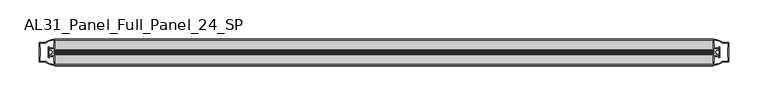
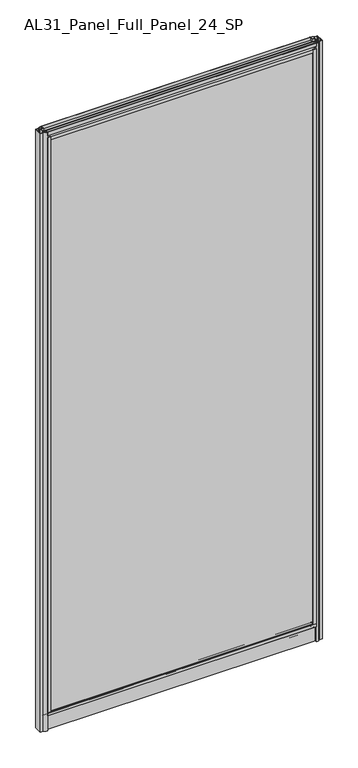
"""IFC4 building model written with IfcOpenShell, lengths in millimetres: plate geometry, AL31_Panel_Full_Panel_24_SP."""

from ifc_helpers import new_model, si_unit, point, frame, frame_2d, origin, origin_with_axes, place, context, project, spatial, polyline, circle_curve, trimmed, segment, composite_curve, outline, extrude, source, transform, mapped, element, save


def al31_panel_full_panel_24_sp_a1b96c47(model_context):
    return source(origin(), model_context, "Body", "SweptSolid", [
        extrude(outline(composite_curve([segment(polyline([(-0.8778244, 46.2206013), (-1.4322398, 45.1563534)]), True, "CONTINUOUS"), segment(trimmed(circle_curve(frame_2d((0.0, 47.9056604)), 3.1), [point((-1.4322398, 45.1563534))], [point((-3.05, 47.3511336))], False, "CARTESIAN"), True, "CONTINUOUS"), segment(polyline([(-3.05, 47.3511336), (-3.05, 41.9), (-5.0, 41.9), (-5.0, 49.4), (-17.0, 49.4), (-17.0, 59.2), (-14.8, 59.2), (-14.8, 51.3), (14.8, 51.3), (14.8, 59.2), (17.0, 59.2), (17.0, 49.4), (5.0, 49.4), (5.0, 41.9), (3.05, 41.9), (3.05, 47.3511336)]), True, "CONTINUOUS"), segment(trimmed(circle_curve(frame_2d((0.0, 47.9056604)), 3.1), [point((3.05, 47.3511336))], [point((1.4322398, 45.1563534))], False, "CARTESIAN"), True, "CONTINUOUS"), segment(polyline([(1.4322398, 45.1563534), (0.8778244, 46.2206013)]), True, "CONTINUOUS"), segment(trimmed(circle_curve(frame_2d((0.0, 47.9056604)), 1.9), [point((0.8778244, 46.2206013))], [point((0.0, 49.8056604))], True, "CARTESIAN"), True, "CONTINUOUS"), segment(trimmed(circle_curve(frame_2d((0.0, 47.9056604)), 1.9), [point((0.0, 49.8056604))], [point((-0.8778244, 46.2206013))], True, "CARTESIAN"), True, "CONTINUOUS")], self_intersect=False)), frame((-420.1801316, 0.0, 0.0), z_axis=(1.0, 0.0, 0.0), x_axis=(0.0, 1.0, 0.0)), (0.0, 0.0, 1.0), 840.3602632),
        extrude(outline(composite_curve([segment(trimmed(circle_curve(frame_2d((-421.6744712, 0.0)), 1.9), [point((-423.3595303, -0.8778244))], [point((-419.7744712, 0.0))], True, "CARTESIAN"), True, "CONTINUOUS"), segment(trimmed(circle_curve(frame_2d((-421.6744712, 0.0)), 1.9), [point((-419.7744712, 0.0))], [point((-423.3595303, 0.8778244))], True, "CARTESIAN"), True, "CONTINUOUS"), segment(polyline([(-423.3595303, 0.8778244), (-424.4237782, 1.4322398)]), True, "CONTINUOUS"), segment(trimmed(circle_curve(frame_2d((-421.6744712, 0.0)), 3.1), [point((-424.4237782, 1.4322398))], [point((-422.228998, 3.05))], False, "CARTESIAN"), True, "CONTINUOUS"), segment(polyline([(-422.228998, 3.05), (-427.6801316, 3.05), (-427.6801316, 5.0), (-420.1801316, 5.0), (-420.1801316, 17.0), (-410.3801316, 17.0), (-410.3801316, 14.8), (-418.2801316, 14.8), (-418.2801316, -14.8), (-410.3801316, -14.8), (-410.3801316, -17.0), (-420.1801316, -17.0), (-420.1801316, -5.0), (-427.6801316, -5.0), (-427.6801316, -3.05), (-422.228998, -3.05)]), True, "CONTINUOUS"), segment(trimmed(circle_curve(frame_2d((-421.6744712, 0.0)), 3.1), [point((-422.228998, -3.05))], [point((-424.4237782, -1.4322398))], False, "CARTESIAN"), True, "CONTINUOUS"), segment(polyline([(-424.4237782, -1.4322398), (-423.3595303, -0.8778244)]), True, "CONTINUOUS")], self_intersect=False)), frame((0.0, 0.0, 49.4), z_axis=(0.0, 0.0, 1.0), x_axis=(1.0, 0.0, 0.0)), (0.0, 0.0, 1.0), 1906.6),
        extrude(outline(composite_curve([segment(polyline([(423.3595303, -0.8778244), (424.4237782, -1.4322398)]), True, "CONTINUOUS"), segment(trimmed(circle_curve(frame_2d((421.6744712, 0.0)), 3.1), [point((424.4237782, -1.4322398))], [point((422.228998, -3.05))], False, "CARTESIAN"), True, "CONTINUOUS"), segment(polyline([(422.228998, -3.05), (427.6801316, -3.05), (427.6801316, -5.0), (420.1801316, -5.0), (420.1801316, -17.0), (410.3801316, -17.0), (410.3801316, -14.8), (418.2801316, -14.8), (418.2801316, 14.8), (410.3801316, 14.8), (410.3801316, 17.0), (420.1801316, 17.0), (420.1801316, 5.0), (427.6801316, 5.0), (427.6801316, 3.05), (422.228998, 3.05)]), True, "CONTINUOUS"), segment(trimmed(circle_curve(frame_2d((421.6744712, 0.0)), 3.1), [point((422.228998, 3.05))], [point((424.4237782, 1.4322398))], False, "CARTESIAN"), True, "CONTINUOUS"), segment(polyline([(424.4237782, 1.4322398), (423.3595303, 0.8778244)]), True, "CONTINUOUS"), segment(trimmed(circle_curve(frame_2d((421.6744712, 0.0)), 1.9), [point((423.3595303, 0.8778244))], [point((419.7744712, 0.0))], True, "CARTESIAN"), True, "CONTINUOUS"), segment(trimmed(circle_curve(frame_2d((421.6744712, 0.0)), 1.9), [point((419.7744712, 0.0))], [point((423.3595303, -0.8778244))], True, "CARTESIAN"), True, "CONTINUOUS")], self_intersect=False)), frame((0.0, 0.0, 49.4), z_axis=(0.0, 0.0, 1.0), x_axis=(1.0, 0.0, 0.0)), (0.0, 0.0, 1.0), 1906.6),
        extrude(outline(composite_curve([segment(polyline([(0.8778244, 1959.1793987), (1.4322398, 1960.2436466)]), True, "CONTINUOUS"), segment(trimmed(circle_curve(frame_2d((0.0, 1957.4943396)), 3.1), [point((1.4322398, 1960.2436466))], [point((3.05, 1958.0488664))], False, "CARTESIAN"), True, "CONTINUOUS"), segment(polyline([(3.05, 1958.0488664), (3.05, 1963.5), (5.0, 1963.5), (5.0, 1956.0), (17.0, 1956.0), (17.0, 1946.2), (14.8, 1946.2), (14.8, 1954.1), (-14.8, 1954.1), (-14.8, 1946.2), (-17.0, 1946.2), (-17.0, 1956.0), (-5.0, 1956.0), (-5.0, 1963.5), (-3.05, 1963.5), (-3.05, 1958.0488664)]), True, "CONTINUOUS"), segment(trimmed(circle_curve(frame_2d((0.0, 1957.4943396)), 3.1), [point((-3.05, 1958.0488664))], [point((-1.4322398, 1960.2436466))], False, "CARTESIAN"), True, "CONTINUOUS"), segment(polyline([(-1.4322398, 1960.2436466), (-0.8778244, 1959.1793987)]), True, "CONTINUOUS"), segment(trimmed(circle_curve(frame_2d((0.0, 1957.4943396)), 1.9), [point((-0.8778244, 1959.1793987))], [point((0.0, 1955.5943396))], True, "CARTESIAN"), True, "CONTINUOUS"), segment(trimmed(circle_curve(frame_2d((0.0, 1957.4943396)), 1.9), [point((0.0, 1955.5943396))], [point((0.8778244, 1959.1793987))], True, "CARTESIAN"), True, "CONTINUOUS")], self_intersect=False)), frame((-420.1801316, 0.0, 0.0), z_axis=(1.0, 0.0, 0.0), x_axis=(0.0, 1.0, 0.0)), (0.0, 0.0, 1.0), 840.3602632),
        extrude(outline(composite_curve([segment(polyline([(-1.4, 1968.8980762), (-0.85, 1967.9454483)]), True, "CONTINUOUS"), segment(trimmed(circle_curve(frame_2d((0.1, 1966.3)), 1.9), [point((-0.85, 1967.9454483))], [point((1.05, 1967.9454483))], True, "CARTESIAN"), True, "CONTINUOUS"), segment(polyline([(1.05, 1967.9454483), (1.6, 1968.8980762)]), True, "CONTINUOUS"), segment(trimmed(circle_curve(frame_2d((0.1, 1966.3)), 3.0), [point((1.6, 1968.8980762))], [point((2.5718414, 1964.6))], False, "CARTESIAN"), True, "CONTINUOUS"), segment(polyline([(2.5718414, 1964.6), (15.7, 1964.6), (15.7, 1974.0), (17.0, 1974.0), (17.0, 1963.5), (6.7024688, 1963.5), (6.7024688, 1962.7), (6.1968782, 1960.7785039), (6.1968782, 1956.1), (5.0, 1956.1), (5.0, 1961.4339746), (5.5, 1962.3), (5.5, 1963.5), (-5.5, 1963.5), (-5.5, 1962.3), (-5.0, 1961.4339746), (-5.0, 1956.1), (-6.1968782, 1956.1), (-6.1968782, 1960.7785039), (-6.7024688, 1962.7), (-6.7024688, 1963.5), (-17.0, 1963.5), (-17.0, 1974.0), (-15.7, 1974.0), (-15.7, 1964.6), (-2.3718414, 1964.6)]), True, "CONTINUOUS"), segment(trimmed(circle_curve(frame_2d((0.1, 1966.3)), 3.0), [point((-2.3718414, 1964.6))], [point((-1.4, 1968.8980762))], False, "CARTESIAN"), True, "CONTINUOUS")], self_intersect=False)), frame((-420.1801316, 0.0, 0.0), z_axis=(1.0, 0.0, 0.0), x_axis=(0.0, 1.0, 0.0)), (0.0, 0.0, 1.0), 840.3602632),
        extrude(outline(composite_curve([segment(polyline([(-428.021553, -5.9), (-426.821553, -5.9), (-426.821553, -5.0), (-420.1801316, -5.0), (-420.1801316, -17.0001453)]), True, "CONTINUOUS"), segment(trimmed(circle_curve(frame_2d((-419.81548, 2.9965302)), 20.0), [point((-420.1801316, -17.0001453))], [point((-431.5359668, -13.2093388))], False, "CARTESIAN"), True, "CONTINUOUS"), segment(polyline([(-431.5359668, -13.2093388), (-431.5359668, -12.3279343), (-440.1801316, -12.3279343), (-440.1801316, 12.3720657), (-431.5359668, 12.3720657), (-431.5359668, 13.2095249)]), True, "CONTINUOUS"), segment(trimmed(circle_curve(frame_2d((-419.81548, -2.9963441)), 20.0), [point((-431.5359668, 13.2095249))], [point((-420.1801316, 17.0003314))], False, "CARTESIAN"), True, "CONTINUOUS"), segment(polyline([(-420.1801316, 17.0003314), (-420.1801316, 5.0), (-426.821553, 5.0), (-426.821553, 5.9), (-428.021553, 5.9), (-428.021553, -5.9)]), True, "CONTINUOUS")], self_intersect=False), holes=[composite_curve([segment(trimmed(circle_curve(frame_2d((-427.021553, 5.7)), 1.5), [point((-427.021553, 7.2))], [point((-425.6662987, 6.3428731))], False, "CARTESIAN"), True, "CONTINUOUS"), segment(polyline([(-425.6662987, 6.3428731), (-421.921553, 6.3428731), (-421.921553, 10.939223), (-421.4822131, 11.9998832), (-421.4822131, 15.6499817)]), True, "CONTINUOUS"), segment(trimmed(circle_curve(frame_2d((-419.81548, -2.9755921)), 18.7), [point((-421.4822131, 15.6499817))], [point((-429.8222578, 12.8216987))], True, "CARTESIAN"), True, "CONTINUOUS"), segment(trimmed(circle_curve(frame_2d((-431.621553, 12.8720657)), 1.8), [point((-429.8222578, 12.8216987))], [point((-431.621553, 11.0720657))], False, "CARTESIAN"), True, "CONTINUOUS"), segment(polyline([(-431.621553, 11.0720657), (-438.7629743, 11.0720657), (-438.7629743, 6.5019606), (-438.321553, 5.439223), (-438.321553, -5.3950916), (-438.821553, -6.3879987), (-438.821553, -11.0279343), (-431.621553, -11.0279343)]), True, "CONTINUOUS"), segment(trimmed(circle_curve(frame_2d((-431.621553, -12.8279343)), 1.8), [point((-431.621553, -11.0279343))], [point((-429.8222578, -12.7775673))], False, "CARTESIAN"), True, "CONTINUOUS"), segment(trimmed(circle_curve(frame_2d((-419.81548, 3.0197235)), 18.7), [point((-429.8222578, -12.7775673))], [point((-421.4822131, -15.6058503))], True, "CARTESIAN"), True, "CONTINUOUS"), segment(polyline([(-421.4822131, -15.6058503), (-421.4822131, -11.9557518), (-421.921553, -10.8950916), (-421.921553, -6.2991308), (-425.6464012, -6.2991308)]), True, "CONTINUOUS"), segment(trimmed(circle_curve(frame_2d((-427.021553, -5.7)), 1.5), [point((-425.6464012, -6.2991308))], [point((-427.021553, -7.2))], False, "CARTESIAN"), True, "CONTINUOUS"), segment(polyline([(-427.021553, -7.2), (-429.321553, -7.2), (-429.321553, 7.2), (-427.021553, 7.2)]), True, "CONTINUOUS")], self_intersect=False)]), origin_with_axes(), (0.0, 0.0, 1.0), 1974.0),
        extrude(outline(composite_curve([segment(polyline([(428.021553, 5.9), (426.821553, 5.9), (426.821553, 5.0), (420.1801316, 5.0), (420.1801316, 17.0001453)]), True, "CONTINUOUS"), segment(trimmed(circle_curve(frame_2d((419.81548, -2.9965302)), 20.0), [point((420.1801316, 17.0001453))], [point((431.5359668, 13.2093388))], False, "CARTESIAN"), True, "CONTINUOUS"), segment(polyline([(431.5359668, 13.2093388), (431.5359668, 12.3279343), (440.1801316, 12.3279343), (440.1801316, -12.3720657), (431.5359668, -12.3720657), (431.5359668, -13.2095249)]), True, "CONTINUOUS"), segment(trimmed(circle_curve(frame_2d((419.81548, 2.9963441)), 20.0), [point((431.5359668, -13.2095249))], [point((420.1801316, -17.0003314))], False, "CARTESIAN"), True, "CONTINUOUS"), segment(polyline([(420.1801316, -17.0003314), (420.1801316, -5.0), (426.821553, -5.0), (426.821553, -5.9), (428.021553, -5.9), (428.021553, 5.9)]), True, "CONTINUOUS")], self_intersect=False), holes=[composite_curve([segment(trimmed(circle_curve(frame_2d((427.021553, -5.7)), 1.5), [point((427.021553, -7.2))], [point((425.6662987, -6.3428731))], False, "CARTESIAN"), True, "CONTINUOUS"), segment(polyline([(425.6662987, -6.3428731), (421.921553, -6.3428731), (421.921553, -10.939223), (421.4822131, -11.9998832), (421.4822131, -15.6499817)]), True, "CONTINUOUS"), segment(trimmed(circle_curve(frame_2d((419.81548, 2.9755921)), 18.7), [point((421.4822131, -15.6499817))], [point((429.8222578, -12.8216987))], True, "CARTESIAN"), True, "CONTINUOUS"), segment(trimmed(circle_curve(frame_2d((431.621553, -12.8720657)), 1.8), [point((429.8222578, -12.8216987))], [point((431.621553, -11.0720657))], False, "CARTESIAN"), True, "CONTINUOUS"), segment(polyline([(431.621553, -11.0720657), (438.7629743, -11.0720657), (438.7629743, -6.5019606), (438.321553, -5.439223), (438.321553, 5.3950916), (438.821553, 6.3879987), (438.821553, 11.0279343), (431.621553, 11.0279343)]), True, "CONTINUOUS"), segment(trimmed(circle_curve(frame_2d((431.621553, 12.8279343)), 1.8), [point((431.621553, 11.0279343))], [point((429.8222578, 12.7775673))], False, "CARTESIAN"), True, "CONTINUOUS"), segment(trimmed(circle_curve(frame_2d((419.81548, -3.0197235)), 18.7), [point((429.8222578, 12.7775673))], [point((421.4822131, 15.6058503))], True, "CARTESIAN"), True, "CONTINUOUS"), segment(polyline([(421.4822131, 15.6058503), (421.4822131, 11.9557518), (421.921553, 10.8950916), (421.921553, 6.2991308), (425.6464012, 6.2991308)]), True, "CONTINUOUS"), segment(trimmed(circle_curve(frame_2d((427.021553, 5.7)), 1.5), [point((425.6464012, 6.2991308))], [point((427.021553, 7.2))], False, "CARTESIAN"), True, "CONTINUOUS"), segment(polyline([(427.021553, 7.2), (429.321553, 7.2), (429.321553, -7.2), (427.021553, -7.2)]), True, "CONTINUOUS")], self_intersect=False)]), origin_with_axes(), (0.0, 0.0, 1.0), 1974.0),
        extrude(outline(composite_curve([segment(trimmed(circle_curve(frame_2d((-8.4, 34.8)), 1.0), [point((-8.4, 35.8))], [point((-9.4, 34.8))], True, "CARTESIAN"), True, "CONTINUOUS"), segment(polyline([(-9.4, 34.8), (-9.4, 33.5), (-5.0000303, 33.5), (-5.0000303, 32.3), (-9.4, 32.3), (-9.4, 0.0), (-10.6, 0.0), (-10.6, 47.3)]), True, "CONTINUOUS"), segment(trimmed(circle_curve(frame_2d((-8.6, 47.3)), 2.0), [point((-10.6, 47.3))], [point((-8.6, 49.3))], False, "CARTESIAN"), True, "CONTINUOUS"), segment(polyline([(-8.6, 49.3), (-5.0, 49.3), (-5.0, 41.9), (5.0, 41.9), (5.0, 49.3), (8.6, 49.3)]), True, "CONTINUOUS"), segment(trimmed(circle_curve(frame_2d((8.6, 47.3)), 2.0), [point((8.6, 49.3))], [point((10.6, 47.3))], False, "CARTESIAN"), True, "CONTINUOUS"), segment(polyline([(10.6, 47.3), (10.6, 0.0), (9.4, 0.0), (9.4, 32.3), (4.9999697, 32.3), (4.9999697, 33.5), (9.4, 33.5), (9.4, 34.8)]), True, "CONTINUOUS"), segment(trimmed(circle_curve(frame_2d((8.4, 34.8)), 1.0), [point((9.4, 34.8))], [point((8.4, 35.8))], True, "CARTESIAN"), True, "CONTINUOUS"), segment(polyline([(8.4, 35.8), (-8.4, 35.8)]), True, "CONTINUOUS")], self_intersect=False), holes=[composite_curve([segment(trimmed(circle_curve(frame_2d((5.5024688, 41.8)), 1.0), [point((6.5024688, 41.8))], [point((5.5024688, 40.8))], False, "CARTESIAN"), True, "CONTINUOUS"), segment(polyline([(5.5024688, 40.8), (2.8008965, 40.8), (2.8008965, 39.7274194), (1.8370508, 39.7274194)]), True, "CONTINUOUS"), segment(trimmed(circle_curve(frame_2d((0.0, 38.7)), 2.1048387), [point((1.8370508, 39.7274194))], [point((-1.8370508, 39.7274194))], True, "CARTESIAN"), True, "CONTINUOUS"), segment(polyline([(-1.8370508, 39.7274194), (-2.8008965, 39.7274194), (-2.8008965, 40.8), (-5.5024688, 40.8)]), True, "CONTINUOUS"), segment(trimmed(circle_curve(frame_2d((-5.5024688, 41.8)), 1.0), [point((-5.5024688, 40.8))], [point((-6.5024688, 41.8))], False, "CARTESIAN"), True, "CONTINUOUS"), segment(polyline([(-6.5024688, 41.8), (-6.5024688, 42.7)]), True, "CONTINUOUS"), segment(trimmed(circle_curve(frame_2d((-5.3024688, 42.7)), 1.2), [point((-6.5024688, 42.7))], [point((-6.1198184, 43.5786009))], False, "CARTESIAN"), True, "CONTINUOUS"), segment(polyline([(-6.1198184, 43.5786009), (-6.1198184, 48.2), (-8.4, 48.2)]), True, "CONTINUOUS"), segment(trimmed(circle_curve(frame_2d((-8.4, 47.2)), 1.0), [point((-8.4, 48.2))], [point((-9.4, 47.2))], True, "CARTESIAN"), True, "CONTINUOUS"), segment(polyline([(-9.4, 47.2), (-9.4, 37.04), (-2.8008965, 37.04), (-2.8008965, 38.0725806), (-1.8370508, 38.0725806)]), True, "CONTINUOUS"), segment(trimmed(circle_curve(frame_2d((0.0, 39.1)), 2.1048387), [point((-1.8370508, 38.0725806))], [point((1.8370508, 38.0725806))], True, "CARTESIAN"), True, "CONTINUOUS"), segment(polyline([(1.8370508, 38.0725806), (2.8008965, 38.0725806), (2.8008965, 37.04), (9.4, 37.04), (9.4, 47.2)]), True, "CONTINUOUS"), segment(trimmed(circle_curve(frame_2d((8.4, 47.2)), 1.0), [point((9.4, 47.2))], [point((8.4, 48.2))], True, "CARTESIAN"), True, "CONTINUOUS"), segment(polyline([(8.4, 48.2), (6.1198184, 48.2), (6.1198184, 43.7786009)]), True, "CONTINUOUS"), segment(trimmed(circle_curve(frame_2d((5.3024688, 42.9)), 1.2), [point((6.1198184, 43.7786009))], [point((6.5024688, 42.9))], False, "CARTESIAN"), True, "CONTINUOUS"), segment(polyline([(6.5024688, 42.9), (6.5024688, 41.8)]), True, "CONTINUOUS")], self_intersect=False)]), frame((-420.1801316, 0.0, 0.0), z_axis=(1.0, 0.0, 0.0), x_axis=(0.0, 1.0, 0.0)), (0.0, 0.0, 1.0), 840.3602632),
        extrude(outline(polyline([(418.2801316, -8.0), (418.2801316, -12.0), (-418.2801316, -12.0), (-418.2801316, -8.0), (418.2801316, -8.0)])), frame((0.0, 0.0, 51.3), z_axis=(0.0, 0.0, 1.0), x_axis=(1.0, 0.0, 0.0)), (0.0, 0.0, 1.0), 1902.8),
        extrude(outline(polyline([(418.2801316, 12.0), (418.2801316, 8.0), (-418.2801316, 8.0), (-418.2801316, 12.0), (418.2801316, 12.0)])), frame((0.0, 0.0, 51.3), z_axis=(0.0, 0.0, 1.0), x_axis=(1.0, 0.0, 0.0)), (0.0, 0.0, 1.0), 1902.8),
        extrude(outline(polyline([(17.0, 59.2), (17.0, 49.4), (10.6, 49.4), (10.6, 0.0), (-10.6, 0.0), (-10.6, 49.4), (-17.0, 49.4), (-17.0, 59.2), (17.0, 59.2)])), frame((-420.1801316, 0.0, 0.0), z_axis=(1.0, 0.0, 0.0), x_axis=(0.0, 1.0, 0.0)), (0.0, 0.0, 1.0), 840.3602632),
    ])


if __name__ == "__main__":
    model = new_model("IFC4")
    model_context = context("Model", 3, world=origin())
    ifc_project = project(units=[si_unit("LENGTHUNIT", "METRE", prefix="MILLI")], contexts=[model_context])
    site = spatial("IfcSite", under=ifc_project)
    building = spatial("IfcBuilding", under=site)
    placement = place(None, origin())
    al31_panel_full_panel_24_sp_shape = al31_panel_full_panel_24_sp_a1b96c47(model_context)
    element("IfcPlate", 1, ObjectType="AL31_Panel_Full_Panel_24_SP", at=placement, inside=building, context=model_context, shape_type="MappedRepresentation", body=[
        mapped(al31_panel_full_panel_24_sp_shape, transform((0.0, 0.0, 0.0), x_axis=(1.0, 0.0, 0.0), y_axis=(0.0, 1.0, 0.0), z_axis=(0.0, 0.0, 1.0))),
    ])
    save(model, "model.ifc")
